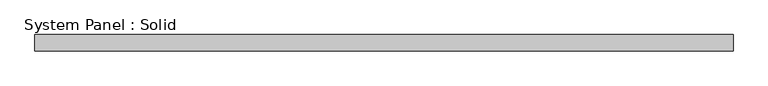
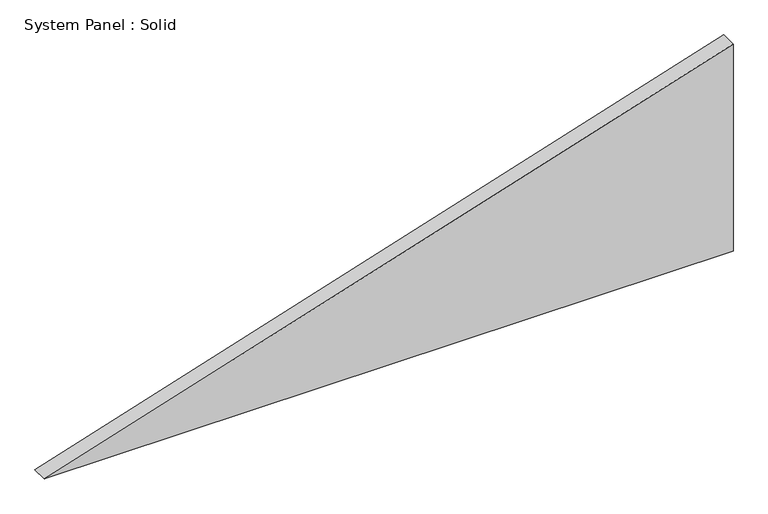
"""IFC4 building model written with IfcOpenShell, lengths in millimetres: plate geometry, System Panel : Solid."""

from ifc_helpers import new_model, si_unit, frame, origin, place, context, project, spatial, polyline, outline, extrude, source, transform, mapped, element, save


def system_panel_solid_a1e2a725(model_context):
    return source(origin(), model_context, "Body", "SweptSolid", [
        extrude(outline(polyline([(0.0, -1281.2443501), (0.0, 1281.2443501), (814.5649691, 1281.2443501), (0.0, -1281.2443501)])), frame((0.0, -10.5, 0.0), z_axis=(0.0, 1.0, 0.0), x_axis=(0.0, 0.0, 1.0)), (0.0, 0.0, 1.0), 60.0),
    ])


if __name__ == "__main__":
    model = new_model("IFC4")
    model_context = context("Model", 3, world=origin())
    ifc_project = project(units=[si_unit("LENGTHUNIT", "METRE", prefix="MILLI")], contexts=[model_context])
    site = spatial("IfcSite", under=ifc_project)
    building = spatial("IfcBuilding", under=site)
    placement = place(None, origin())
    system_panel_solid_shape = system_panel_solid_a1e2a725(model_context)
    element("IfcPlate", 1, ObjectType="System Panel : Solid", at=placement, inside=building, context=model_context, shape_type="MappedRepresentation", body=[
        mapped(system_panel_solid_shape, transform((0.0, 0.0, 0.0), x_axis=(1.0, 0.0, 0.0), y_axis=(0.0, 1.0, 0.0), z_axis=(0.0, 0.0, 1.0))),
    ])
    save(model, "model.ifc")
